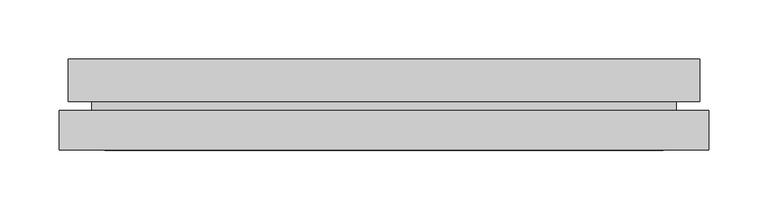
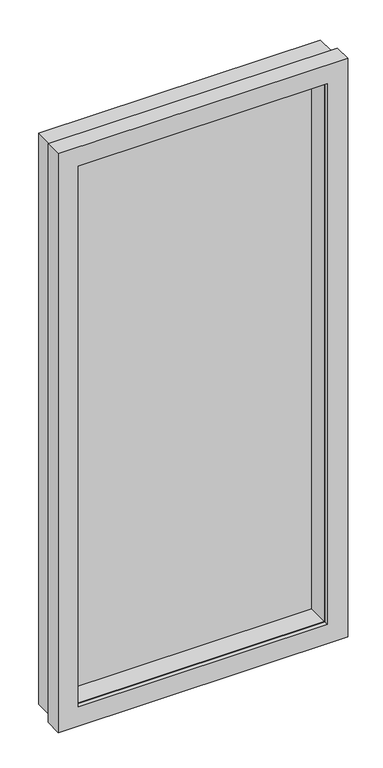
"""IFC4 building model written with IfcOpenShell, lengths in millimetres: plate geometry."""

import ifcopenshell
import ifcopenshell.guid

model = None  # the IFC model being written
_history = None  # IfcOwnerHistory: only IFC2X3 demands one
_inside = {}  # id of a spatial element -> (the spatial element, [elements in it])
_under = {}  # id of a project, library or spatial element -> (it, [spatial elements below it])
_declared = {}  # id of a project -> (the project, [libraries it declares])
_typed = {}  # id of a type object -> (the type object, [elements of that type])
_made_of = {}  # id of a material, layer set ... -> (it, [elements and type objects made of it])


def new_model(schema):
    """Start an empty IFC model of exactly this schema.

    Asked for "IFC4X3", IfcOpenShell would pick the latest addendum, in which some entities
    have other attributes; the version numbers below select the first issue.
    IFC2X3 requires an IfcOwnerHistory on every rooted entity: one is made here for all.
    """
    global model, _history
    if schema == "IFC4X3":
        model = ifcopenshell.file(schema_version=(4, 3, 0, 0))
    else:
        model = ifcopenshell.file(schema=schema)
    _inside.clear()
    _under.clear()
    _declared.clear()
    _typed.clear()
    _made_of.clear()
    _history = None
    if model.schema == "IFC2X3":
        org = make("IfcOrganization", Name="unknown")
        user = make(
            "IfcPersonAndOrganization",
            ThePerson=make("IfcPerson", FamilyName="unknown"),
            TheOrganization=org,
        )
        app = make(
            "IfcApplication",
            ApplicationDeveloper=org,
            Version="unknown",
            ApplicationFullName="unknown",
            ApplicationIdentifier="unknown",
        )
        _history = make(
            "IfcOwnerHistory",
            OwningUser=user,
            OwningApplication=app,
            ChangeAction="ADDED",
            CreationDate=0,
        )
    return model


def make(cls, **values):
    """One entity of the class cls with the attributes given. An attribute that is None is left unset."""
    return model.create_entity(
        cls, **{name: value for name, value in values.items() if value is not None}
    )


def rooted(cls, **values):
    """An entity with a GlobalId (a new one), such as an element, a storey or a relation."""
    return make(cls, GlobalId=ifcopenshell.guid.new(), OwnerHistory=_history, **values)


def si_unit(unit_type, name, prefix=None):
    """IfcSIUnit, for example si_unit("LENGTHUNIT", "METRE", prefix="MILLI")."""
    return make("IfcSIUnit", UnitType=unit_type, Prefix=prefix, Name=name)


def assignment(units):
    """IfcUnitAssignment: the units of a project."""
    return None if units is None else make("IfcUnitAssignment", Units=units)


def point(xyz):
    """IfcCartesianPoint."""
    return None if xyz is None else make("IfcCartesianPoint", Coordinates=xyz)


def direction(xyz):
    """IfcDirection."""
    return None if xyz is None else make("IfcDirection", DirectionRatios=xyz)


def frame(location, z_axis=None, x_axis=None):
    """IfcAxis2Placement3D, a coordinate frame: its origin and axes. An axis left out is left unset."""
    return make(
        "IfcAxis2Placement3D",
        Location=point(location),
        Axis=direction(z_axis),
        RefDirection=direction(x_axis),
    )


def origin():
    """The frame at (0, 0, 0) with its axes left unset."""
    return frame((0.0, 0.0, 0.0))


def place(relative_to, where):
    """IfcLocalPlacement: puts the frame where relative to a parent placement (None: the world)."""
    return make(
        "IfcLocalPlacement", PlacementRelTo=relative_to, RelativePlacement=where
    )


def context(
    kind, dimensions, precision=None, world=None, true_north=None, identifier=None
):
    """IfcGeometricRepresentationContext, for example the 3D "Model" context."""
    return make(
        "IfcGeometricRepresentationContext",
        ContextIdentifier=identifier,
        ContextType=kind,
        CoordinateSpaceDimension=dimensions,
        Precision=precision,
        WorldCoordinateSystem=world,
        TrueNorth=true_north,
    )


def project(units=None, contexts=None):
    """IfcProject with its units and contexts."""
    return rooted(
        "IfcProject",
        Name="project",
        RepresentationContexts=contexts,
        UnitsInContext=assignment(units),
    )


def spatial(cls, under=None, at=None, **own):
    """A site, building, storey or space (cls), placed at a placement, below another one or the project."""
    s = rooted(cls, ObjectPlacement=at, **own)
    if under is not None:
        _under.setdefault(under.id(), (under, []))[1].append(s)
    return s


def polyline(points):
    """IfcPolyline through the points."""
    return make("IfcPolyline", Points=[point(p) for p in points])


def outline(outer, holes=None, kind="AREA"):
    """IfcArbitraryClosedProfileDef: a profile drawn as a closed curve; with holes, ...WithVoids."""
    if holes is None:
        return make("IfcArbitraryClosedProfileDef", ProfileType=kind, OuterCurve=outer)
    return make(
        "IfcArbitraryProfileDefWithVoids",
        ProfileType=kind,
        OuterCurve=outer,
        InnerCurves=holes,
    )


def extrude(swept, where, along, depth):
    """IfcExtrudedAreaSolid: the profile swept, set in the frame where, extruded along a direction by depth."""
    return make(
        "IfcExtrudedAreaSolid",
        SweptArea=swept,
        Position=where,
        ExtrudedDirection=direction(along),
        Depth=depth,
    )


def faces_of(points, faces, orient=None, outer=None):
    """IfcFace entities. A face is a list of loops; a loop is a list of indices into points, from 0.

    orient and outer hold one flag for each loop. By default every Orientation is true, the
    first loop of a face is its IfcFaceOuterBound and the others are IfcFaceBound.
    """
    made = []
    for i, loops in enumerate(faces):
        bounds = []
        for j, loop in enumerate(loops):
            is_outer = j == 0 if outer is None else outer[i][j]
            bounds.append(
                make(
                    "IfcFaceOuterBound" if is_outer else "IfcFaceBound",
                    Bound=make("IfcPolyLoop", Polygon=[points[k] for k in loop]),
                    Orientation=True if orient is None else orient[i][j],
                )
            )
        made.append(make("IfcFace", Bounds=bounds))
    return made


def faceted_brep(points, faces, orient=None, outer=None, voids=None):
    """IfcFacetedBrep: a solid bounded by flat faces; with voids (closed shells), ...WithVoids."""
    shared = [point(p) for p in points]
    hull = make("IfcClosedShell", CfsFaces=faces_of(shared, faces, orient, outer))
    if voids is None:
        return make("IfcFacetedBrep", Outer=hull)
    return make(
        "IfcFacetedBrepWithVoids",
        Outer=hull,
        Voids=[
            make(cls, CfsFaces=faces_of(shared, fs, o, b)) for cls, fs, o, b in voids
        ],
    )


def shape(context_of_items, identifier, shape_type, items):
    """IfcShapeRepresentation: the items that make up one representation, for example the "Body"."""
    return make(
        "IfcShapeRepresentation",
        ContextOfItems=context_of_items,
        RepresentationIdentifier=identifier,
        RepresentationType=shape_type,
        Items=items,
    )


def source(mapping_origin, context_of_items, identifier, shape_type, items):
    """IfcRepresentationMap: a shape defined once, which mapped items show again and again."""
    return make(
        "IfcRepresentationMap",
        MappingOrigin=mapping_origin,
        MappedRepresentation=shape(context_of_items, identifier, shape_type, items),
    )


def transform(
    local_origin,
    x_axis=None,
    y_axis=None,
    z_axis=None,
    scale=None,
    scale2=None,
    scale3=None,
    uniform=True,
):
    """IfcCartesianTransformationOperator3D, or its non-uniform kind. x_axis, y_axis, z_axis: its Axis1, 2, 3."""
    if uniform:
        return make(
            "IfcCartesianTransformationOperator3D",
            Axis1=direction(x_axis),
            Axis2=direction(y_axis),
            LocalOrigin=point(local_origin),
            Scale=scale,
            Axis3=direction(z_axis),
        )
    return make(
        "IfcCartesianTransformationOperator3DnonUniform",
        Axis1=direction(x_axis),
        Axis2=direction(y_axis),
        LocalOrigin=point(local_origin),
        Scale=scale,
        Axis3=direction(z_axis),
        Scale2=scale2,
        Scale3=scale3,
    )


def mapped(mapping_source, mapping_target):
    """IfcMappedItem: shows the shape of a source again, moved by a transform."""
    return make(
        "IfcMappedItem", MappingSource=mapping_source, MappingTarget=mapping_target
    )


def made_of(thing, what):
    """Note that an element or type object is made of a material, layer set ...; save() writes the relation."""
    if what is not None:
        _made_of.setdefault(what.id(), (what, []))[1].append(thing)
    return thing


def element(
    cls,
    number,
    at=None,
    inside=None,
    cuts=None,
    type_object=None,
    material=None,
    context=None,
    identifier="Body",
    shape_type=None,
    held_by="IfcProductDefinitionShape",
    body=None,
    shapes=None,
    **own,
):
    """One element of the class cls, such as IfcWall. Its Tag is "e" and its number.

    at: its placement. inside: the storey or other place that contains it. cuts: it is an
    opening in that element (IfcRelVoidsElement). A single representation is given by context,
    identifier, shape_type and body (its items); several are given by shapes. held_by: the class
    of the entity that holds the representations. save() writes the other relations.
    """
    e = rooted(cls, Tag="e%d" % number, ObjectPlacement=at, **own)
    if body is not None:
        shapes = [shape(context, identifier, shape_type, body)]
    if shapes is not None:
        e.Representation = make(held_by, Representations=shapes)
    if inside is not None:
        _inside.setdefault(inside.id(), (inside, []))[1].append(e)
    if cuts is not None:
        rooted(
            "IfcRelVoidsElement", RelatingBuildingElement=cuts, RelatedOpeningElement=e
        )
    if type_object is not None:
        _typed.setdefault(type_object.id(), (type_object, []))[1].append(e)
    return made_of(e, material)


def aggregate(whole, parts):
    """IfcRelAggregates: a whole, such as a stair, and the parts it consists of."""
    return rooted("IfcRelAggregates", RelatingObject=whole, RelatedObjects=parts)


def save(model, path):
    """Write the relations noted so far, then the file.

    IfcRelAggregates (storeys below a building ...), IfcRelContainedInSpatialStructure (elements
    in a storey), IfcRelDefinesByType, IfcRelAssociatesMaterial and IfcRelDeclares: one each for
    every whole, place, type object, material and project.
    """
    for whole, parts in _under.values():
        aggregate(whole, parts)
    for where, things in _inside.values():
        rooted(
            "IfcRelContainedInSpatialStructure",
            RelatedElements=things,
            RelatingStructure=where,
        )
    for kind, things in _typed.values():
        rooted("IfcRelDefinesByType", RelatedObjects=things, RelatingType=kind)
    for what, things in _made_of.values():
        rooted("IfcRelAssociatesMaterial", RelatedObjects=things, RelatingMaterial=what)
    for by, libraries in _declared.values():
        rooted("IfcRelDeclares", RelatingContext=by, RelatedDefinitions=libraries)
    model.write(path)


def plate_618a243f(model_context):
    return source(origin(), model_context, "Body", "SolidModel", [
        faceted_brep([(234.95, -75.7039062, 38.1), (234.95, -116.5817497, 38.1), (234.95, -116.5817497, 1117.6), (234.95, -75.7039062, 1117.6), (256.7432, -50.3039063, 16.3068), (256.7432, -75.7039062, 16.3068), (256.7432, -75.7039062, 1139.3932), (256.7432, -50.3039063, 1139.3932), (265.4808, -86.0255497, 7.5692), (265.4808, -50.3039063, 7.5692), (265.4808, -50.3039063, 1148.1308), (265.4808, -86.0255497, 1148.1308), (246.0498, -116.5817497, 27.0002), (246.0498, -86.0255497, 27.0002), (246.0498, -86.0255497, 1128.6998), (246.0498, -116.5817497, 1128.6998), (-234.95, -116.5817497, 1117.6), (-234.95, -75.7039062, 1117.6), (-256.7432, -75.7039062, 1139.3932), (-256.7432, -50.3039062, 1139.3932), (-265.4808, -50.3039062, 1148.1308), (-265.4808, -86.0255497, 1148.1308), (-246.0498, -86.0255497, 1128.6998), (-246.0498, -116.5817497, 1128.6998), (-234.95, -116.5817497, 38.1), (-234.95, -75.7039062, 38.1), (-256.7432, -75.7039062, 16.3068), (-256.7432, -50.3039062, 16.3068), (-265.4808, -50.3039062, 7.5692), (-265.4808, -86.0255497, 7.5692), (-246.0498, -86.0255497, 27.0002), (-246.0498, -116.5817497, 27.0002)], [[[0, 1, 2, 3]], [[4, 5, 6, 7]], [[8, 9, 10, 11]], [[12, 13, 14, 15]], [[3, 2, 16, 17]], [[7, 6, 18, 19]], [[11, 10, 20, 21]], [[15, 14, 22, 23]], [[17, 16, 24, 25]], [[19, 18, 26, 27]], [[21, 20, 28, 29]], [[23, 22, 30, 31]], [[15, 23, 31, 12], [1, 24, 16, 2]], [[25, 24, 1, 0]], [[5, 26, 18, 6], [3, 17, 25, 0]], [[27, 26, 5, 4]], [[9, 28, 20, 10], [7, 19, 27, 4]], [[29, 28, 9, 8]], [[11, 21, 29, 8], [13, 30, 22, 14]], [[31, 30, 13, 12]]]),
        faceted_brep([(273.05, -126.7925497, 0.0), (273.05, -93.4677497, 0.0), (273.05, -93.4677497, 1155.7), (273.05, -126.7925497, 1155.7), (262.83666, -93.4677497, 10.21334), (262.83666, -118.8677497, 10.21334), (262.83666, -118.8677497, 1145.48666), (262.83666, -93.4677497, 1145.48666), (234.95, -118.8677497, 38.1), (234.95, -126.7925497, 38.1), (234.95, -126.7925497, 1117.6), (234.95, -118.8677497, 1117.6), (-273.05, -93.4677497, 1155.7), (-273.05, -126.7925497, 1155.7), (-234.95, -126.7925497, 1117.6), (-234.95, -118.8677497, 1117.6), (-262.83666, -118.8677497, 1145.48666), (-262.83666, -93.4677497, 1145.48666), (-273.05, -93.4677497, 0.0), (-273.05, -126.7925497, 0.0), (-234.95, -126.7925497, 38.1), (-234.95, -118.8677497, 38.1), (-262.83666, -118.8677497, 10.21334), (-262.83666, -93.4677497, 10.21334)], [[[0, 1, 2, 3]], [[4, 5, 6, 7]], [[8, 9, 10, 11]], [[3, 2, 12, 13]], [[11, 10, 14, 15]], [[7, 6, 16, 17]], [[13, 12, 18, 19]], [[15, 14, 20, 21]], [[17, 16, 22, 23]], [[1, 18, 12, 2], [7, 17, 23, 4]], [[19, 18, 1, 0]], [[3, 13, 19, 0], [9, 20, 14, 10]], [[21, 20, 9, 8]], [[5, 22, 16, 6], [11, 15, 21, 8]], [[23, 22, 5, 4]]]),
        extrude(outline(polyline([(256.7432, -50.3039062), (256.7432, -75.7039062), (-256.7432, -75.7039062), (-256.7432, -50.3039062), (256.7432, -50.3039062)])), frame((0.0, 0.0, 16.3068), z_axis=(0.0, 0.0, 1.0), x_axis=(1.0, 0.0, 0.0)), (0.0, 0.0, 1.0), 1123.0863999),
    ])


if __name__ == "__main__":
    model = new_model("IFC4")
    model_context = context("Model", 3, world=origin())
    ifc_project = project(units=[si_unit("LENGTHUNIT", "METRE", prefix="MILLI")], contexts=[model_context])
    site = spatial("IfcSite", under=ifc_project)
    building = spatial("IfcBuilding", under=site)
    placement = place(None, origin())
    plate_shape = plate_618a243f(model_context)
    element("IfcPlate", 1, at=placement, inside=building, context=model_context, shape_type="MappedRepresentation", body=[
        mapped(plate_shape, transform((0.0, 0.0, 0.0), x_axis=(1.0, 0.0, 0.0), y_axis=(0.0, 1.0, 0.0), z_axis=(0.0, 0.0, 1.0))),
    ])
    save(model, "model.ifc")
